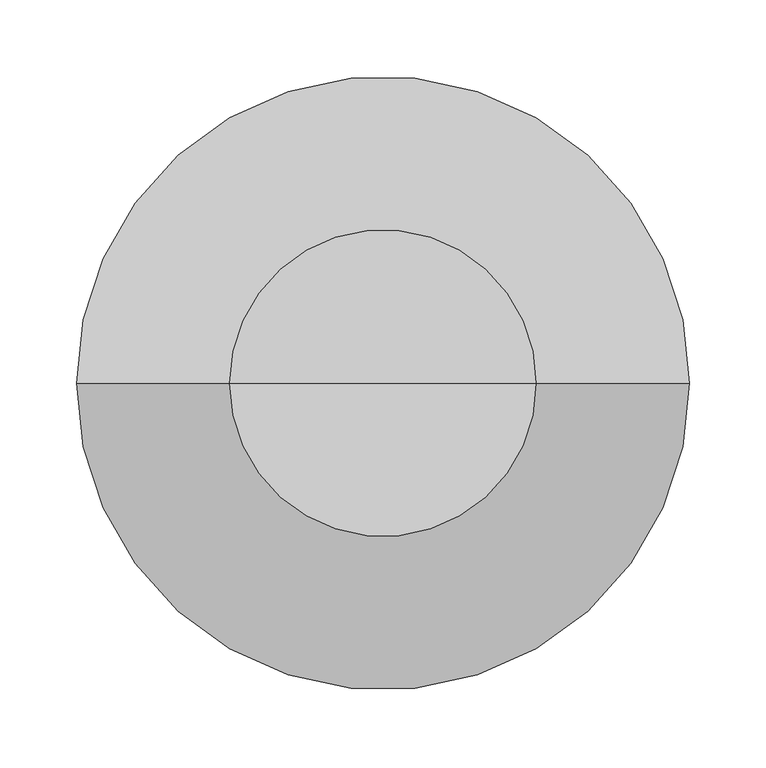
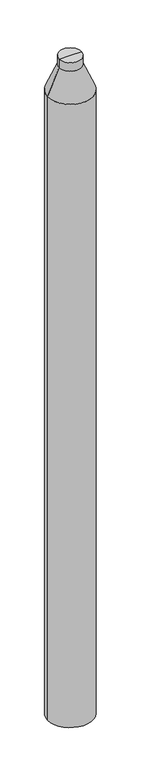
"""IFC4 building model written with IfcOpenShell, lengths in millimetres: column geometry."""

from ifc_helpers import new_model, si_unit, frame, origin, place, context, project, spatial, polyline, circle_curve, source, transform, mapped, element, save
from ifc_brep_helpers import plane_surface, cylinder_surface, revolved_surface, advanced_brep


def column_d5b347e5(model_context):
    return source(origin(), model_context, "Body", "AdvancedBrep", [
        advanced_brep(
        [(-200.0, 0.0, 3240.875), (200.0, 0.0, 3240.875), (200.0, 0.0, -2599.125), (-200.0, 0.0, -2599.125), (0.0, 0.0, -2599.125), (-100.0, 0.0, 3480.875), (100.0, 0.0, 3480.875), (-100.0, 0.0, 3560.875), (100.0, 0.0, 3560.875), (0.0, 0.0, 3560.875)],
        [
            (0, 1, circle_curve(frame((0.0, 0.0, 3240.875), z_axis=(0.0, 0.0, -1.0), x_axis=(1.0, 0.0, 0.0)), 200.0)),
            (1, 2),
            (2, 3, circle_curve(frame((0.0, 0.0, -2599.125), z_axis=(0.0, 0.0, 1.0), x_axis=(1.0, 0.0, 0.0)), 200.0)),
            (3, 0),
            (2, 4),
            (4, 3),
            (2, 3, circle_curve(frame((0.0, 0.0, -2599.125), z_axis=(0.0, 0.0, -1.0), x_axis=(1.0, 0.0, 0.0)), 200.0)),
            (1, 0, circle_curve(frame((0.0, 0.0, 3240.875), z_axis=(0.0, 0.0, -1.0), x_axis=(1.0, 0.0, 0.0)), 200.0)),
            (5, 6, circle_curve(frame((0.0, 0.0, 3480.875), z_axis=(0.0, 0.0, -1.0), x_axis=(1.0, 0.0, 0.0)), 100.0)),
            (6, 1),
            (0, 5),
            (6, 5, circle_curve(frame((0.0, 0.0, 3480.875), z_axis=(0.0, 0.0, -1.0), x_axis=(1.0, 0.0, 0.0)), 100.0)),
            (7, 8, circle_curve(frame((0.0, 0.0, 3560.875), z_axis=(0.0, 0.0, -1.0), x_axis=(1.0, 0.0, 0.0)), 100.0)),
            (8, 6),
            (5, 7),
            (8, 7, circle_curve(frame((0.0, 0.0, 3560.875), z_axis=(0.0, 0.0, -1.0), x_axis=(1.0, 0.0, 0.0)), 100.0)),
            (9, 8),
            (7, 9),
        ],
        [
            cylinder_surface(frame((0.0, 0.0, 3202.1059986), z_axis=(0.0, 0.0, 1.0), x_axis=(1.0, 0.0, 0.0)), 200.0),
            plane_surface(frame((0.0, 0.0, -2599.125), z_axis=(0.0, 0.0, -1.0), x_axis=(1.0, 0.0, 0.0))),
            revolved_surface(polyline([(200.0, 0.0, 3240.875), (100.0, 0.0, 3480.875)]), (0.0, 0.0, 3202.1059986), (0.0, 0.0, 1.0)),
            cylinder_surface(frame((0.0, 0.0, 3202.1059986), z_axis=(0.0, 0.0, 1.0), x_axis=(1.0, 0.0, 0.0)), 100.0),
            plane_surface(frame((0.0, 0.0, 3560.875), z_axis=(0.0, 0.0, 1.0), x_axis=(1.0, 0.0, 0.0))),
        ],
        [
            (0, [[1, 2, 3, 4]]),
            (1, [[-3, 5, 6]]),
            (1, [[7, -6, -5]]),
            (0, [[8, -4, -7, -2]]),
            (2, [[9, 10, -1, 11]]),
            (2, [[12, -11, -8, -10]]),
            (3, [[13, 14, -9, 15]]),
            (3, [[16, -15, -12, -14]]),
            (4, [[17, -13, 18]]),
            (4, [[-18, -16, -17]]),
        ],
    ),
    ])


if __name__ == "__main__":
    model = new_model("IFC4")
    model_context = context("Model", 3, world=origin())
    ifc_project = project(units=[si_unit("LENGTHUNIT", "METRE", prefix="MILLI")], contexts=[model_context])
    site = spatial("IfcSite", under=ifc_project)
    building = spatial("IfcBuilding", under=site)
    placement = place(None, origin())
    column_shape = column_d5b347e5(model_context)
    element("IfcColumn", 1, at=placement, inside=building, context=model_context, shape_type="MappedRepresentation", body=[
        mapped(column_shape, transform((0.0, 0.0, 0.0), x_axis=(1.0, 0.0, 0.0), y_axis=(0.0, 1.0, 0.0), z_axis=(0.0, 0.0, 1.0))),
    ])
    save(model, "model.ifc")
